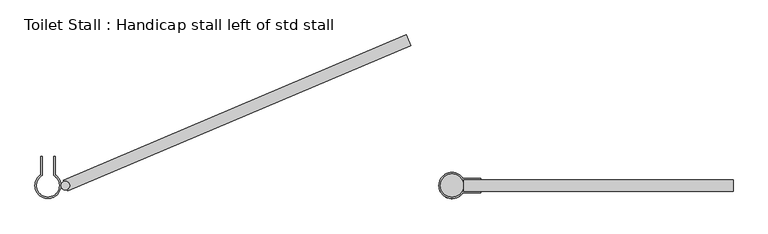
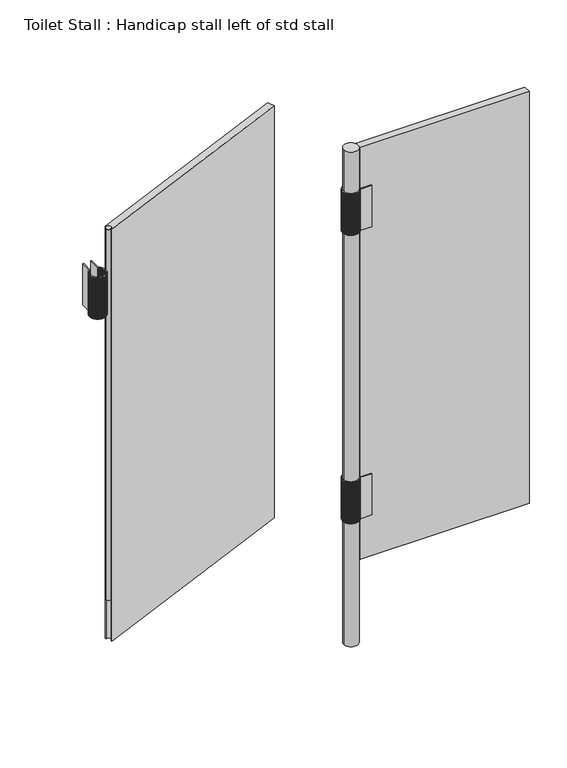
"""IFC4 building model written with IfcOpenShell, lengths in millimetres: proxy geometry, Toilet Stall : Handicap stall left of std stall."""

from ifc_helpers import new_model, si_unit, point, frame, frame_2d, origin, origin_with_axes, place, context, project, spatial, polyline, circle_curve, trimmed, segment, composite_curve, outline, extrude, faceted_brep, source, transform, mapped, element, save


def toilet_stall_handicap_stall_left_of_std_stall_83d1a77c(model_context):
    return source(origin(), model_context, "Body", "SolidModel", [
        faceted_brep([(492.7064458, -1262.0625, 1524.0), (492.7064458, -1262.0625, 1676.4), (492.7064458, -1265.2375, 1676.4), (492.7064458, -1265.2375, 1524.0), (451.2211098, -1265.2375, 1524.0), (450.151573, -1263.5236023, 1524.0), (448.8618083, -1261.8090926, 1524.0), (447.4320897, -1260.2094233, 1524.0), (445.8725976, -1258.7359848, 1524.0), (444.1944359, -1257.3992685, 1524.0), (442.409554, -1256.2087924, 1524.0), (440.5306609, -1255.1730331, 1524.0), (438.5711349, -1254.2993656, 1524.0), (436.5449287, -1253.5940107, 1524.0), (434.4664697, -1253.061991, 1524.0), (432.3505573, -1252.7070945, 1524.0), (430.2122576, -1252.5318482, 1524.0), (428.0281461, -1252.5375, 1524.0), (425.818874, -1252.7368503, 1524.0), (423.6353834, -1253.1279927, 1524.0), (421.4942919, -1253.7079504, 1524.0), (419.4118946, -1254.4723097, 1524.0), (417.4040397, -1255.4152532, 1524.0), (415.4860083, -1256.5296046, 1524.0), (413.6723977, -1257.806883, 1524.0), (411.9770106, -1259.2373676, 1524.0), (410.4127498, -1260.8101715, 1524.0), (408.9915205, -1262.5133246, 1524.0), (407.7241389, -1264.3338651, 1524.0), (406.6202507, -1266.2579375, 1524.0), (405.688257, -1268.2708983, 1524.0), (404.935251, -1270.3574279, 1524.0), (404.3669634, -1272.5016464, 1524.0), (403.9877193, -1274.687235, 1524.0), (403.8004049, -1276.89756, 1524.0), (403.8064458, -1279.1157997, 1524.0), (404.005796, -1281.3250718, 1524.0), (404.3969385, -1283.5085624, 1524.0), (404.9768962, -1285.6496539, 1524.0), (405.7412554, -1287.7320512, 1524.0), (406.684199, -1289.739906, 1524.0), (407.7985504, -1291.6579375, 1524.0), (409.0758288, -1293.4715481, 1524.0), (410.5063134, -1295.1669352, 1524.0), (412.0791172, -1296.7311959, 1524.0), (413.7822704, -1298.1524253, 1524.0), (415.6028109, -1299.4198069, 1524.0), (417.5268833, -1300.5236951, 1524.0), (419.5398441, -1301.4556888, 1524.0), (421.6263737, -1302.2086948, 1524.0), (423.7705921, -1302.7769824, 1524.0), (425.9561807, -1303.1562265, 1524.0), (428.1665058, -1303.3435409, 1524.0), (430.3460954, -1303.3375, 1524.0), (432.4834421, -1303.1509904, 1524.0), (434.5974554, -1302.7849509, 1524.0), (436.6730825, -1302.241988, 1524.0), (438.6955443, -1301.5259677, 1524.0), (440.6504401, -1300.6419884, 1524.0), (442.5238502, -1299.5963444, 1524.0), (444.3024352, -1298.396481, 1524.0), (445.973531, -1297.0509417, 1524.0), (447.5252386, -1295.5693074, 1524.0), (448.9465093, -1293.9621277, 1524.0), (450.2272231, -1292.2408465, 1524.0), (451.2211098, -1290.6375, 1524.0), (492.7064458, -1290.6375, 1524.0), (492.7064458, -1293.8125, 1524.0), (452.9822829, -1293.8125, 1524.0), (452.7740235, -1294.146229, 1524.0), (451.323605, -1296.0754404, 1524.0), (449.7157038, -1297.8755026, 1524.0), (447.9617687, -1299.5335986, 1524.0), (446.0742885, -1301.0379219, 1524.0), (444.0667028, -1302.3777614, 1524.0), (441.9533062, -1303.5435767, 1524.0), (439.749147, -1304.5270668, 1524.0), (437.4699198, -1305.3212289, 1524.0), (435.1318534, -1305.9204083, 1524.0), (432.7515958, -1306.3203386, 1524.0), (430.3460954, -1306.518172, 1524.0), (427.8892578, -1306.5125, 1524.0), (425.4037948, -1306.288963, 1524.0), (422.9472722, -1305.8496543, 1524.0), (420.5383857, -1305.1979172, 1524.0), (418.1954684, -1304.3387118, 1524.0), (415.9363513, -1303.2785773, 1524.0), (413.7782276, -1302.0255819, 1524.0), (411.7375219, -1300.5892617, 1524.0), (409.8297653, -1298.9805479, 1524.0), (408.069477, -1297.2116837, 1524.0), (406.4700537, -1295.2961314, 1524.0), (405.0436681, -1293.2484695, 1524.0), (403.8011759, -1291.0842818, 1524.0), (402.7520331, -1288.8200391, 1524.0), (401.9042243, -1286.4729738, 1524.0), (401.264202, -1284.0609484, 1524.0), (400.836837, -1281.6023198, 1524.0), (400.6253818, -1279.1157997, 1524.0), (400.6314458, -1276.620312, 1524.0), (400.8549828, -1274.134849, 1524.0), (401.2942915, -1271.6783264, 1524.0), (401.9460286, -1269.2694399, 1524.0), (402.805234, -1266.9265226, 1524.0), (403.8653685, -1264.6674055, 1524.0), (405.1183638, -1262.5092818, 1524.0), (406.5546841, -1260.4685761, 1524.0), (408.1633979, -1258.5608195, 1524.0), (409.932262, -1256.8005312, 1524.0), (411.8478143, -1255.2011079, 1524.0), (413.8954763, -1253.7747224, 1524.0), (416.059664, -1252.5322301, 1524.0), (418.3239067, -1251.4830873, 1524.0), (420.670972, -1250.6352785, 1524.0), (423.0829974, -1249.9952562, 1524.0), (425.541626, -1249.5678912, 1524.0), (428.0281461, -1249.356436, 1524.0), (430.4804113, -1249.3625, 1524.0), (432.8849554, -1249.5716371, 1524.0), (435.263307, -1249.98275, 1524.0), (437.5985315, -1250.5929117, 1524.0), (439.874001, -1251.3977773, 1524.0), (442.0735134, -1252.3916161, 1524.0), (444.1814073, -1253.5673515, 1524.0), (446.1826737, -1254.9166117, 1524.0), (448.0630628, -1256.4297896, 1524.0), (449.8091855, -1258.0961107, 1524.0), (451.4086086, -1259.9037101, 1524.0), (452.8499438, -1261.8397171, 1524.0), (452.9822829, -1262.0625, 1524.0), (451.2211098, -1265.2375, 1676.4), (452.9822829, -1262.0625, 1676.4), (452.8451319, -1261.84272, 1676.4), (451.404067, -1259.9071079, 1676.4), (449.8049465, -1258.0998793, 1676.4), (448.0591566, -1256.4339021, 1676.4), (446.1791281, -1254.9210389, 1676.4), (444.1782476, -1253.5720619, 1676.4), (442.0707621, -1252.3965761, 1676.4), (439.8716776, -1251.4029517, 1676.4), (437.5966526, -1250.5982634, 1676.4), (435.261886, -1249.9882412, 1676.4), (432.8840024, -1249.5772284, 1676.4), (430.4799332, -1249.3681518, 1676.4), (428.0281461, -1249.3625, 1676.4), (425.5421545, -1249.5739321, 1676.4), (423.0840504, -1250.0012281, 1676.4), (420.6725415, -1250.6411359, 1676.4), (418.3259807, -1251.4887856, 1676.4), (416.0622268, -1252.537726, 1676.4), (413.8985083, -1253.7799739, 1676.4), (411.8512925, -1255.2060753, 1676.4), (409.9361599, -1256.8051765, 1676.4), (408.1676858, -1258.5651074, 1676.4), (406.5593294, -1260.472474, 1676.4), (405.1233312, -1262.5127599, 1676.4), (403.87062, -1264.6704375, 1676.4), (402.8107298, -1266.9290854, 1676.4), (401.9517269, -1269.2715139, 1676.4), (401.3001489, -1271.6798959, 1676.4), (400.8609546, -1274.135902, 1676.4), (400.6374867, -1276.6208406, 1676.4), (400.6314458, -1279.1157997, 1676.4), (400.8428779, -1281.6017913, 1676.4), (401.2701738, -1284.0598954, 1676.4), (401.9100817, -1286.4714043, 1676.4), (402.7577314, -1288.8179651, 1676.4), (403.8066717, -1291.081719, 1676.4), (405.0489197, -1293.2454375, 1676.4), (406.4750211, -1295.2926533, 1676.4), (408.0741223, -1297.2077859, 1676.4), (409.8340532, -1298.97626, 1676.4), (411.7414198, -1300.5846164, 1676.4), (413.7817057, -1302.0206146, 1676.4), (415.9393833, -1303.2733258, 1676.4), (418.1980311, -1304.333216, 1676.4), (420.5404597, -1305.1922189, 1676.4), (422.9488417, -1305.8437969, 1676.4), (425.4048478, -1306.2829911, 1676.4), (427.8897863, -1306.5064591, 1676.4), (430.3460954, -1306.5125, 1676.4), (432.7511176, -1306.3146867, 1676.4), (435.1309004, -1305.9148169, 1676.4), (437.4684988, -1305.3157378, 1676.4), (439.7472682, -1304.521715, 1676.4), (441.9509828, -1303.5384024, 1676.4), (444.0639514, -1302.3728014, 1676.4), (446.0711288, -1301.0332115, 1676.4), (447.9582232, -1299.5291713, 1676.4), (449.7117976, -1297.8713901, 1676.4), (451.319366, -1296.0716718, 1676.4), (452.7694818, -1294.1428312, 1676.4), (452.9822829, -1293.8125, 1676.4), (492.7064458, -1293.8125, 1676.4), (492.7064458, -1290.6375, 1676.4), (451.2211098, -1290.6375, 1676.4), (450.2226815, -1292.2374487, 1676.4), (448.9422703, -1293.9583591, 1676.4), (447.5213324, -1295.5651948, 1676.4), (445.9699854, -1297.0465145, 1676.4), (444.2992755, -1298.3917706, 1676.4), (442.5210989, -1299.5913844, 1676.4), (440.6481167, -1300.6368141, 1676.4), (438.6936655, -1301.520616, 1676.4), (436.6716615, -1302.2364969, 1676.4), (434.5965024, -1302.7793595, 1676.4), (432.4829639, -1303.1453386, 1676.4), (430.3460954, -1303.331828, 1676.4), (428.1670343, -1303.3375, 1676.4), (425.9572337, -1303.1502547, 1676.4), (423.7721616, -1302.771125, 1676.4), (421.6284477, -1302.2029965, 1676.4), (419.5424069, -1301.4501929, 1676.4), (417.5299152, -1300.5184435, 1676.4), (415.6062891, -1299.4148395, 1676.4), (413.7861683, -1298.14778, 1676.4), (412.0834051, -1296.7269081, 1676.4), (410.5109587, -1295.1630374, 1676.4), (409.0807961, -1293.4680699, 1676.4), (407.8038019, -1291.6549055, 1676.4), (406.6896948, -1289.7373433, 1676.4), (405.7469537, -1287.7299772, 1676.4), (404.9827536, -1285.6480844, 1676.4), (404.4029103, -1283.5075094, 1676.4), (404.011837, -1281.3245433, 1676.4), (403.8125098, -1279.1157997, 1676.4), (403.8064458, -1276.8980886, 1676.4), (403.9936911, -1274.688288, 1676.4), (404.3728208, -1272.5032158, 1676.4), (404.9409493, -1270.3595019, 1676.4), (405.6937529, -1268.2734611, 1676.4), (406.6255022, -1266.2609695, 1676.4), (407.7291062, -1264.3373433, 1676.4), (408.9961658, -1262.5172225, 1676.4), (410.4170377, -1260.8144594, 1676.4), (411.9809084, -1259.2420129, 1676.4), (413.6758759, -1257.8118503, 1676.4), (415.4890403, -1256.5348562, 1676.4), (417.4066025, -1255.420749, 1676.4), (419.4139686, -1254.478008, 1676.4), (421.4958614, -1253.7138078, 1676.4), (423.6364364, -1253.1339645, 1676.4), (425.8194025, -1252.7428912, 1676.4), (428.0281461, -1252.543564, 1676.4), (430.2117794, -1252.5375, 1676.4), (432.3496044, -1252.7126858, 1676.4), (434.4650488, -1253.0674821, 1676.4), (436.5430499, -1253.5993625, 1676.4), (438.5688115, -1254.3045399, 1676.4), (440.5279095, -1255.1779931, 1676.4), (442.4063943, -1256.2135028, 1676.4), (444.1908904, -1257.4036958, 1676.4), (445.8686914, -1258.7400974, 1676.4), (447.4278507, -1260.2131919, 1676.4), (448.8572666, -1261.8124904, 1676.4), (450.1467611, -1263.5266052, 1676.4)], [[[0, 1, 2, 3]], [[3, 4, 5, 6, 7, 8, 9, 10, 11, 12, 13, 14, 15, 16, 17, 18, 19, 20, 21, 22, 23, 24, 25, 26, 27, 28, 29, 30, 31, 32, 33, 34, 35, 36, 37, 38, 39, 40, 41, 42, 43, 44, 45, 46, 47, 48, 49, 50, 51, 52, 53, 54, 55, 56, 57, 58, 59, 60, 61, 62, 63, 64, 65, 66, 67, 68, 69, 70, 71, 72, 73, 74, 75, 76, 77, 78, 79, 80, 81, 82, 83, 84, 85, 86, 87, 88, 89, 90, 91, 92, 93, 94, 95, 96, 97, 98, 99, 100, 101, 102, 103, 104, 105, 106, 107, 108, 109, 110, 111, 112, 113, 114, 115, 116, 117, 118, 119, 120, 121, 122, 123, 124, 125, 126, 127, 128, 129, 0]], [[2, 130, 4, 3]], [[1, 131, 132, 133, 134, 135, 136, 137, 138, 139, 140, 141, 142, 143, 144, 145, 146, 147, 148, 149, 150, 151, 152, 153, 154, 155, 156, 157, 158, 159, 160, 161, 162, 163, 164, 165, 166, 167, 168, 169, 170, 171, 172, 173, 174, 175, 176, 177, 178, 179, 180, 181, 182, 183, 184, 185, 186, 187, 188, 189, 190, 191, 192, 193, 194, 195, 196, 197, 198, 199, 200, 201, 202, 203, 204, 205, 206, 207, 208, 209, 210, 211, 212, 213, 214, 215, 216, 217, 218, 219, 220, 221, 222, 223, 224, 225, 226, 227, 228, 229, 230, 231, 232, 233, 234, 235, 236, 237, 238, 239, 240, 241, 242, 243, 244, 245, 246, 247, 248, 249, 250, 251, 252, 253, 254, 255, 130, 2]], [[0, 129, 131, 1]], [[130, 255, 5, 4]], [[129, 128, 132, 131]], [[255, 254, 6, 5]], [[128, 127, 133, 132]], [[254, 253, 7, 6]], [[127, 126, 134, 133]], [[253, 252, 8, 7]], [[126, 125, 135, 134]], [[252, 251, 9, 8]], [[125, 124, 136, 135]], [[251, 250, 10, 9]], [[124, 123, 137, 136]], [[250, 249, 11, 10]], [[123, 122, 138, 137]], [[249, 248, 12, 11]], [[122, 121, 139, 138]], [[248, 247, 13, 12]], [[121, 120, 140, 139]], [[247, 246, 14, 13]], [[120, 119, 141, 140]], [[246, 245, 15, 14]], [[119, 118, 142, 141]], [[245, 244, 16, 15]], [[118, 117, 143, 142]], [[243, 17, 16, 244]], [[116, 144, 143, 117]], [[243, 242, 18, 17]], [[116, 115, 145, 144]], [[242, 241, 19, 18]], [[115, 114, 146, 145]], [[241, 240, 20, 19]], [[114, 113, 147, 146]], [[240, 239, 21, 20]], [[113, 112, 148, 147]], [[239, 238, 22, 21]], [[112, 111, 149, 148]], [[238, 237, 23, 22]], [[111, 110, 150, 149]], [[237, 236, 24, 23]], [[110, 109, 151, 150]], [[236, 235, 25, 24]], [[109, 108, 152, 151]], [[235, 234, 26, 25]], [[108, 107, 153, 152]], [[234, 233, 27, 26]], [[107, 106, 154, 153]], [[233, 232, 28, 27]], [[106, 105, 155, 154]], [[232, 231, 29, 28]], [[105, 104, 156, 155]], [[231, 230, 30, 29]], [[104, 103, 157, 156]], [[230, 229, 31, 30]], [[103, 102, 158, 157]], [[229, 228, 32, 31]], [[102, 101, 159, 158]], [[228, 227, 33, 32]], [[101, 100, 160, 159]], [[227, 226, 34, 33]], [[100, 99, 161, 160]], [[226, 225, 35, 34]], [[99, 98, 162, 161]], [[225, 224, 36, 35]], [[98, 97, 163, 162]], [[224, 223, 37, 36]], [[97, 96, 164, 163]], [[223, 222, 38, 37]], [[96, 95, 165, 164]], [[222, 221, 39, 38]], [[95, 94, 166, 165]], [[221, 220, 40, 39]], [[94, 93, 167, 166]], [[220, 219, 41, 40]], [[93, 92, 168, 167]], [[219, 218, 42, 41]], [[92, 91, 169, 168]], [[218, 217, 43, 42]], [[91, 90, 170, 169]], [[217, 216, 44, 43]], [[90, 89, 171, 170]], [[216, 215, 45, 44]], [[89, 88, 172, 171]], [[215, 214, 46, 45]], [[88, 87, 173, 172]], [[214, 213, 47, 46]], [[87, 86, 174, 173]], [[213, 212, 48, 47]], [[86, 85, 175, 174]], [[212, 211, 49, 48]], [[85, 84, 176, 175]], [[211, 210, 50, 49]], [[84, 83, 177, 176]], [[210, 209, 51, 50]], [[83, 82, 178, 177]], [[209, 208, 52, 51]], [[82, 81, 179, 178]], [[207, 53, 52, 208]], [[80, 180, 179, 81]], [[207, 206, 54, 53]], [[80, 79, 181, 180]], [[206, 205, 55, 54]], [[79, 78, 182, 181]], [[205, 204, 56, 55]], [[78, 77, 183, 182]], [[204, 203, 57, 56]], [[77, 76, 184, 183]], [[203, 202, 58, 57]], [[76, 75, 185, 184]], [[202, 201, 59, 58]], [[75, 74, 186, 185]], [[201, 200, 60, 59]], [[74, 73, 187, 186]], [[200, 199, 61, 60]], [[73, 72, 188, 187]], [[199, 198, 62, 61]], [[72, 71, 189, 188]], [[198, 197, 63, 62]], [[71, 70, 190, 189]], [[197, 196, 64, 63]], [[70, 69, 191, 190]], [[196, 195, 65, 64]], [[69, 68, 192, 191]], [[67, 66, 194, 193]], [[195, 194, 66, 65]], [[68, 67, 193, 192]]]),
        faceted_brep([(492.7064458, -1262.0625, 457.2), (492.7064458, -1262.0625, 609.6), (492.7064458, -1265.2375, 609.6), (492.7064458, -1265.2375, 457.2), (451.2211098, -1265.2375, 457.2), (450.151573, -1263.5236023, 457.2), (448.8618083, -1261.8090926, 457.2), (447.4320897, -1260.2094233, 457.2), (445.8725976, -1258.7359848, 457.2), (444.1944359, -1257.3992685, 457.2), (442.409554, -1256.2087924, 457.2), (440.5306609, -1255.1730331, 457.2), (438.5711349, -1254.2993656, 457.2), (436.5449287, -1253.5940107, 457.2), (434.4664697, -1253.061991, 457.2), (432.3505573, -1252.7070945, 457.2), (430.2122576, -1252.5318482, 457.2), (428.0281461, -1252.5375, 457.2), (425.818874, -1252.7368503, 457.2), (423.6353834, -1253.1279927, 457.2), (421.4942919, -1253.7079504, 457.2), (419.4118946, -1254.4723097, 457.2), (417.4040397, -1255.4152532, 457.2), (415.4860083, -1256.5296046, 457.2), (413.6723977, -1257.806883, 457.2), (411.9770106, -1259.2373676, 457.2), (410.4127498, -1260.8101715, 457.2), (408.9915205, -1262.5133246, 457.2), (407.7241389, -1264.3338651, 457.2), (406.6202507, -1266.2579375, 457.2), (405.688257, -1268.2708983, 457.2), (404.935251, -1270.3574279, 457.2), (404.3669634, -1272.5016464, 457.2), (403.9877193, -1274.687235, 457.2), (403.8004049, -1276.89756, 457.2), (403.8064458, -1279.1157997, 457.2), (404.005796, -1281.3250718, 457.2), (404.3969385, -1283.5085624, 457.2), (404.9768962, -1285.6496539, 457.2), (405.7412554, -1287.7320512, 457.2), (406.684199, -1289.739906, 457.2), (407.7985504, -1291.6579375, 457.2), (409.0758288, -1293.4715481, 457.2), (410.5063134, -1295.1669352, 457.2), (412.0791172, -1296.7311959, 457.2), (413.7822704, -1298.1524253, 457.2), (415.6028109, -1299.4198069, 457.2), (417.5268833, -1300.5236951, 457.2), (419.5398441, -1301.4556888, 457.2), (421.6263737, -1302.2086948, 457.2), (423.7705921, -1302.7769824, 457.2), (425.9561807, -1303.1562265, 457.2), (428.1665058, -1303.3435409, 457.2), (430.3460954, -1303.3375, 457.2), (432.4834421, -1303.1509904, 457.2), (434.5974554, -1302.7849509, 457.2), (436.6730825, -1302.241988, 457.2), (438.6955443, -1301.5259677, 457.2), (440.6504401, -1300.6419884, 457.2), (442.5238502, -1299.5963444, 457.2), (444.3024352, -1298.396481, 457.2), (445.973531, -1297.0509417, 457.2), (447.5252386, -1295.5693074, 457.2), (448.9465093, -1293.9621277, 457.2), (450.2272231, -1292.2408465, 457.2), (451.2211098, -1290.6375, 457.2), (492.7064458, -1290.6375, 457.2), (492.7064458, -1293.8125, 457.2), (452.9822829, -1293.8125, 457.2), (452.7740235, -1294.146229, 457.2), (451.323605, -1296.0754404, 457.2), (449.7157038, -1297.8755026, 457.2), (447.9617687, -1299.5335986, 457.2), (446.0742885, -1301.0379219, 457.2), (444.0667028, -1302.3777614, 457.2), (441.9533062, -1303.5435767, 457.2), (439.749147, -1304.5270668, 457.2), (437.4699198, -1305.3212289, 457.2), (435.1318534, -1305.9204083, 457.2), (432.7515958, -1306.3203386, 457.2), (430.3460954, -1306.518172, 457.2), (427.8892578, -1306.5125, 457.2), (425.4037948, -1306.288963, 457.2), (422.9472722, -1305.8496543, 457.2), (420.5383857, -1305.1979172, 457.2), (418.1954684, -1304.3387118, 457.2), (415.9363513, -1303.2785773, 457.2), (413.7782276, -1302.0255819, 457.2), (411.7375219, -1300.5892617, 457.2), (409.8297653, -1298.9805479, 457.2), (408.069477, -1297.2116837, 457.2), (406.4700537, -1295.2961314, 457.2), (405.0436681, -1293.2484695, 457.2), (403.8011759, -1291.0842818, 457.2), (402.7520331, -1288.8200391, 457.2), (401.9042243, -1286.4729738, 457.2), (401.264202, -1284.0609484, 457.2), (400.836837, -1281.6023198, 457.2), (400.6253818, -1279.1157997, 457.2), (400.6314458, -1276.620312, 457.2), (400.8549828, -1274.134849, 457.2), (401.2942915, -1271.6783264, 457.2), (401.9460286, -1269.2694399, 457.2), (402.805234, -1266.9265226, 457.2), (403.8653685, -1264.6674055, 457.2), (405.1183638, -1262.5092818, 457.2), (406.5546841, -1260.4685761, 457.2), (408.1633979, -1258.5608195, 457.2), (409.932262, -1256.8005312, 457.2), (411.8478143, -1255.2011079, 457.2), (413.8954763, -1253.7747224, 457.2), (416.059664, -1252.5322301, 457.2), (418.3239067, -1251.4830873, 457.2), (420.670972, -1250.6352785, 457.2), (423.0829974, -1249.9952562, 457.2), (425.541626, -1249.5678912, 457.2), (428.0281461, -1249.356436, 457.2), (430.4804113, -1249.3625, 457.2), (432.8849554, -1249.5716371, 457.2), (435.263307, -1249.98275, 457.2), (437.5985315, -1250.5929117, 457.2), (439.874001, -1251.3977773, 457.2), (442.0735134, -1252.3916161, 457.2), (444.1814073, -1253.5673515, 457.2), (446.1826737, -1254.9166117, 457.2), (448.0630628, -1256.4297896, 457.2), (449.8091855, -1258.0961107, 457.2), (451.4086086, -1259.9037101, 457.2), (452.8499438, -1261.8397171, 457.2), (452.9822829, -1262.0625, 457.2), (451.2211098, -1265.2375, 609.6), (452.9822829, -1262.0625, 609.6), (452.8451319, -1261.84272, 609.6), (451.404067, -1259.9071079, 609.6), (449.8049465, -1258.0998793, 609.6), (448.0591566, -1256.4339021, 609.6), (446.1791281, -1254.9210389, 609.6), (444.1782476, -1253.5720619, 609.6), (442.0707621, -1252.3965761, 609.6), (439.8716776, -1251.4029517, 609.6), (437.5966526, -1250.5982634, 609.6), (435.261886, -1249.9882412, 609.6), (432.8840024, -1249.5772284, 609.6), (430.4799332, -1249.3681518, 609.6), (428.0281461, -1249.3625, 609.6), (425.5421545, -1249.5739321, 609.6), (423.0840504, -1250.0012281, 609.6), (420.6725415, -1250.6411359, 609.6), (418.3259807, -1251.4887856, 609.6), (416.0622268, -1252.537726, 609.6), (413.8985083, -1253.7799739, 609.6), (411.8512925, -1255.2060753, 609.6), (409.9361599, -1256.8051765, 609.6), (408.1676858, -1258.5651074, 609.6), (406.5593294, -1260.472474, 609.6), (405.1233312, -1262.5127599, 609.6), (403.87062, -1264.6704375, 609.6), (402.8107298, -1266.9290854, 609.6), (401.9517269, -1269.2715139, 609.6), (401.3001489, -1271.6798959, 609.6), (400.8609546, -1274.135902, 609.6), (400.6374867, -1276.6208406, 609.6), (400.6314458, -1279.1157997, 609.6), (400.8428779, -1281.6017913, 609.6), (401.2701738, -1284.0598954, 609.6), (401.9100817, -1286.4714043, 609.6), (402.7577314, -1288.8179651, 609.6), (403.8066717, -1291.081719, 609.6), (405.0489197, -1293.2454375, 609.6), (406.4750211, -1295.2926533, 609.6), (408.0741223, -1297.2077859, 609.6), (409.8340532, -1298.97626, 609.6), (411.7414198, -1300.5846164, 609.6), (413.7817057, -1302.0206146, 609.6), (415.9393833, -1303.2733258, 609.6), (418.1980311, -1304.333216, 609.6), (420.5404597, -1305.1922189, 609.6), (422.9488417, -1305.8437969, 609.6), (425.4048478, -1306.2829911, 609.6), (427.8897863, -1306.5064591, 609.6), (430.3460954, -1306.5125, 609.6), (432.7511176, -1306.3146867, 609.6), (435.1309004, -1305.9148169, 609.6), (437.4684988, -1305.3157378, 609.6), (439.7472682, -1304.521715, 609.6), (441.9509828, -1303.5384024, 609.6), (444.0639514, -1302.3728014, 609.6), (446.0711288, -1301.0332115, 609.6), (447.9582232, -1299.5291713, 609.6), (449.7117976, -1297.8713901, 609.6), (451.319366, -1296.0716718, 609.6), (452.7694818, -1294.1428312, 609.6), (452.9822829, -1293.8125, 609.6), (492.7064458, -1293.8125, 609.6), (492.7064458, -1290.6375, 609.6), (451.2211098, -1290.6375, 609.6), (450.2226815, -1292.2374487, 609.6), (448.9422703, -1293.9583591, 609.6), (447.5213324, -1295.5651948, 609.6), (445.9699854, -1297.0465145, 609.6), (444.2992755, -1298.3917706, 609.6), (442.5210989, -1299.5913844, 609.6), (440.6481167, -1300.6368141, 609.6), (438.6936655, -1301.520616, 609.6), (436.6716615, -1302.2364969, 609.6), (434.5965024, -1302.7793595, 609.6), (432.4829639, -1303.1453386, 609.6), (430.3460954, -1303.331828, 609.6), (428.1670343, -1303.3375, 609.6), (425.9572337, -1303.1502547, 609.6), (423.7721616, -1302.771125, 609.6), (421.6284477, -1302.2029965, 609.6), (419.5424069, -1301.4501929, 609.6), (417.5299152, -1300.5184435, 609.6), (415.6062891, -1299.4148395, 609.6), (413.7861683, -1298.14778, 609.6), (412.0834051, -1296.7269081, 609.6), (410.5109587, -1295.1630374, 609.6), (409.0807961, -1293.4680699, 609.6), (407.8038019, -1291.6549055, 609.6), (406.6896948, -1289.7373433, 609.6), (405.7469537, -1287.7299772, 609.6), (404.9827536, -1285.6480844, 609.6), (404.4029103, -1283.5075094, 609.6), (404.011837, -1281.3245433, 609.6), (403.8125098, -1279.1157997, 609.6), (403.8064458, -1276.8980886, 609.6), (403.9936911, -1274.688288, 609.6), (404.3728208, -1272.5032158, 609.6), (404.9409493, -1270.3595019, 609.6), (405.6937529, -1268.2734611, 609.6), (406.6255022, -1266.2609695, 609.6), (407.7291062, -1264.3373433, 609.6), (408.9961658, -1262.5172225, 609.6), (410.4170377, -1260.8144594, 609.6), (411.9809084, -1259.2420129, 609.6), (413.6758759, -1257.8118503, 609.6), (415.4890403, -1256.5348562, 609.6), (417.4066025, -1255.420749, 609.6), (419.4139686, -1254.478008, 609.6), (421.4958614, -1253.7138078, 609.6), (423.6364364, -1253.1339645, 609.6), (425.8194025, -1252.7428912, 609.6), (428.0281461, -1252.543564, 609.6), (430.2117794, -1252.5375, 609.6), (432.3496044, -1252.7126858, 609.6), (434.4650488, -1253.0674821, 609.6), (436.5430499, -1253.5993625, 609.6), (438.5688115, -1254.3045399, 609.6), (440.5279095, -1255.1779931, 609.6), (442.4063943, -1256.2135028, 609.6), (444.1908904, -1257.4036958, 609.6), (445.8686914, -1258.7400974, 609.6), (447.4278507, -1260.2131919, 609.6), (448.8572666, -1261.8124904, 609.6), (450.1467611, -1263.5266052, 609.6)], [[[0, 1, 2, 3]], [[3, 4, 5, 6, 7, 8, 9, 10, 11, 12, 13, 14, 15, 16, 17, 18, 19, 20, 21, 22, 23, 24, 25, 26, 27, 28, 29, 30, 31, 32, 33, 34, 35, 36, 37, 38, 39, 40, 41, 42, 43, 44, 45, 46, 47, 48, 49, 50, 51, 52, 53, 54, 55, 56, 57, 58, 59, 60, 61, 62, 63, 64, 65, 66, 67, 68, 69, 70, 71, 72, 73, 74, 75, 76, 77, 78, 79, 80, 81, 82, 83, 84, 85, 86, 87, 88, 89, 90, 91, 92, 93, 94, 95, 96, 97, 98, 99, 100, 101, 102, 103, 104, 105, 106, 107, 108, 109, 110, 111, 112, 113, 114, 115, 116, 117, 118, 119, 120, 121, 122, 123, 124, 125, 126, 127, 128, 129, 0]], [[2, 130, 4, 3]], [[1, 131, 132, 133, 134, 135, 136, 137, 138, 139, 140, 141, 142, 143, 144, 145, 146, 147, 148, 149, 150, 151, 152, 153, 154, 155, 156, 157, 158, 159, 160, 161, 162, 163, 164, 165, 166, 167, 168, 169, 170, 171, 172, 173, 174, 175, 176, 177, 178, 179, 180, 181, 182, 183, 184, 185, 186, 187, 188, 189, 190, 191, 192, 193, 194, 195, 196, 197, 198, 199, 200, 201, 202, 203, 204, 205, 206, 207, 208, 209, 210, 211, 212, 213, 214, 215, 216, 217, 218, 219, 220, 221, 222, 223, 224, 225, 226, 227, 228, 229, 230, 231, 232, 233, 234, 235, 236, 237, 238, 239, 240, 241, 242, 243, 244, 245, 246, 247, 248, 249, 250, 251, 252, 253, 254, 255, 130, 2]], [[0, 129, 131, 1]], [[130, 255, 5, 4]], [[129, 128, 132, 131]], [[255, 254, 6, 5]], [[128, 127, 133, 132]], [[254, 253, 7, 6]], [[127, 126, 134, 133]], [[253, 252, 8, 7]], [[126, 125, 135, 134]], [[252, 251, 9, 8]], [[125, 124, 136, 135]], [[251, 250, 10, 9]], [[124, 123, 137, 136]], [[250, 249, 11, 10]], [[123, 122, 138, 137]], [[249, 248, 12, 11]], [[122, 121, 139, 138]], [[248, 247, 13, 12]], [[121, 120, 140, 139]], [[247, 246, 14, 13]], [[120, 119, 141, 140]], [[246, 245, 15, 14]], [[119, 118, 142, 141]], [[245, 244, 16, 15]], [[118, 117, 143, 142]], [[243, 17, 16, 244]], [[116, 144, 143, 117]], [[243, 242, 18, 17]], [[116, 115, 145, 144]], [[242, 241, 19, 18]], [[115, 114, 146, 145]], [[241, 240, 20, 19]], [[114, 113, 147, 146]], [[240, 239, 21, 20]], [[113, 112, 148, 147]], [[239, 238, 22, 21]], [[112, 111, 149, 148]], [[238, 237, 23, 22]], [[111, 110, 150, 149]], [[237, 236, 24, 23]], [[110, 109, 151, 150]], [[236, 235, 25, 24]], [[109, 108, 152, 151]], [[235, 234, 26, 25]], [[108, 107, 153, 152]], [[234, 233, 27, 26]], [[107, 106, 154, 153]], [[233, 232, 28, 27]], [[106, 105, 155, 154]], [[232, 231, 29, 28]], [[105, 104, 156, 155]], [[231, 230, 30, 29]], [[104, 103, 157, 156]], [[230, 229, 31, 30]], [[103, 102, 158, 157]], [[229, 228, 32, 31]], [[102, 101, 159, 158]], [[228, 227, 33, 32]], [[101, 100, 160, 159]], [[227, 226, 34, 33]], [[100, 99, 161, 160]], [[226, 225, 35, 34]], [[99, 98, 162, 161]], [[225, 224, 36, 35]], [[98, 97, 163, 162]], [[224, 223, 37, 36]], [[97, 96, 164, 163]], [[223, 222, 38, 37]], [[96, 95, 165, 164]], [[222, 221, 39, 38]], [[95, 94, 166, 165]], [[221, 220, 40, 39]], [[94, 93, 167, 166]], [[220, 219, 41, 40]], [[93, 92, 168, 167]], [[219, 218, 42, 41]], [[92, 91, 169, 168]], [[218, 217, 43, 42]], [[91, 90, 170, 169]], [[217, 216, 44, 43]], [[90, 89, 171, 170]], [[216, 215, 45, 44]], [[89, 88, 172, 171]], [[215, 214, 46, 45]], [[88, 87, 173, 172]], [[214, 213, 47, 46]], [[87, 86, 174, 173]], [[213, 212, 48, 47]], [[86, 85, 175, 174]], [[212, 211, 49, 48]], [[85, 84, 176, 175]], [[211, 210, 50, 49]], [[84, 83, 177, 176]], [[210, 209, 51, 50]], [[83, 82, 178, 177]], [[209, 208, 52, 51]], [[82, 81, 179, 178]], [[207, 53, 52, 208]], [[80, 180, 179, 81]], [[207, 206, 54, 53]], [[80, 79, 181, 180]], [[206, 205, 55, 54]], [[79, 78, 182, 181]], [[205, 204, 56, 55]], [[78, 77, 183, 182]], [[204, 203, 57, 56]], [[77, 76, 184, 183]], [[203, 202, 58, 57]], [[76, 75, 185, 184]], [[202, 201, 59, 58]], [[75, 74, 186, 185]], [[201, 200, 60, 59]], [[74, 73, 187, 186]], [[200, 199, 61, 60]], [[73, 72, 188, 187]], [[199, 198, 62, 61]], [[72, 71, 189, 188]], [[198, 197, 63, 62]], [[71, 70, 190, 189]], [[197, 196, 64, 63]], [[70, 69, 191, 190]], [[196, 195, 65, 64]], [[69, 68, 192, 191]], [[67, 66, 194, 193]], [[195, 194, 66, 65]], [[68, 67, 193, 192]]]),
        extrude(outline(polyline([(1045.6468708, -1290.6375), (454.6064458, -1290.6375), (454.6064458, -1265.2375), (1045.6468708, -1265.2375), (1045.6468708, -1290.6375)])), frame((0.0, 0.0, 304.8), z_axis=(0.0, 0.0, 1.0), x_axis=(1.0, 0.0, 0.0)), (0.0, 0.0, 1.0), 1524.0),
        extrude(outline(composite_curve([segment(trimmed(circle_curve(frame_2d((429.2064458, -1277.9375)), 25.4), [point((403.8064458, -1277.9375))], [point((454.6064458, -1277.9375))], False, "CARTESIAN"), True, "CONTINUOUS"), segment(trimmed(circle_curve(frame_2d((429.2064458, -1277.9375)), 25.4), [point((454.6064458, -1277.9375))], [point((403.8064458, -1277.9375))], False, "CARTESIAN"), True, "CONTINUOUS")], self_intersect=False)), origin_with_axes(), (0.0, 0.0, 1.0), 1828.8),
        extrude(outline(composite_curve([segment(trimmed(circle_curve(frame_2d((-418.5185542, -1277.9375)), 9.525), [point((-428.0435542, -1277.9375))], [point((-408.9935542, -1277.9375))], False, "CARTESIAN"), True, "CONTINUOUS"), segment(trimmed(circle_curve(frame_2d((-418.5185542, -1277.9375)), 9.525), [point((-408.9935542, -1277.9375))], [point((-428.0435542, -1277.9375))], False, "CARTESIAN"), True, "CONTINUOUS")], self_intersect=False)), frame((0.0, 0.0, 457.2), z_axis=(0.0, 0.0, 1.0), x_axis=(1.0, 0.0, 0.0)), (0.0, 0.0, 1.0), 1371.6),
        extrude(outline(composite_curve([segment(polyline([(338.9244022, -970.2188171), (-413.5562689, -1289.6279116), (-414.7968402, -1286.7053087)]), True, "CONTINUOUS"), segment(trimmed(circle_curve(frame_2d((-418.5185542, -1277.9375)), 9.525), [point((-414.7968402, -1286.7053087))], [point((-409.687128, -1281.5056278))], True, "CARTESIAN"), True, "CONTINUOUS"), segment(trimmed(circle_curve(frame_2d((-418.5185542, -1277.9375)), 9.525), [point((-409.687128, -1281.5056278))], [point((-422.2402682, -1269.1696913))], True, "CARTESIAN"), True, "CONTINUOUS"), segment(polyline([(-422.2402682, -1269.1696913), (-423.4808395, -1266.2470884), (328.9998315, -946.8379938), (338.9244022, -970.2188171)]), True, "CONTINUOUS")], self_intersect=False)), frame((0.0, 0.0, 304.8), z_axis=(0.0, 0.0, 1.0), x_axis=(1.0, 0.0, 0.0)), (0.0, 0.0, 1.0), 1524.0),
        faceted_brep([(-472.4935542, -1214.4375, 1524.0), (-472.4935542, -1214.4375, 1676.4), (-469.3185542, -1214.4375, 1676.4), (-469.3185542, -1214.4375, 1524.0), (-469.3185542, -1255.922836, 1524.0), (-471.0324519, -1256.9923728, 1524.0), (-472.7469617, -1258.2821375, 1524.0), (-474.3466309, -1259.711856, 1524.0), (-475.8200694, -1261.2713482, 1524.0), (-477.1567857, -1262.9495098, 1524.0), (-478.3472618, -1264.7343918, 1524.0), (-479.3830211, -1266.6132849, 1524.0), (-480.2566886, -1268.5728109, 1524.0), (-480.9620435, -1270.599017, 1524.0), (-481.4940632, -1272.677476, 1524.0), (-481.8489598, -1274.7933884, 1524.0), (-482.024206, -1276.9316881, 1524.0), (-482.0185542, -1279.1157997, 1524.0), (-481.819204, -1281.3250718, 1524.0), (-481.4280615, -1283.5085624, 1524.0), (-480.8481038, -1285.6496539, 1524.0), (-480.0837446, -1287.7320512, 1524.0), (-479.140801, -1289.739906, 1524.0), (-478.0264496, -1291.6579375, 1524.0), (-476.7491712, -1293.4715481, 1524.0), (-475.3186866, -1295.1669352, 1524.0), (-473.7458828, -1296.7311959, 1524.0), (-472.0427296, -1298.1524253, 1524.0), (-470.2221891, -1299.4198069, 1524.0), (-468.2981167, -1300.5236951, 1524.0), (-466.2851559, -1301.4556888, 1524.0), (-464.1986263, -1302.2086948, 1524.0), (-462.0544079, -1302.7769824, 1524.0), (-459.8688193, -1303.1562265, 1524.0), (-457.6584942, -1303.3435409, 1524.0), (-455.4402545, -1303.3375, 1524.0), (-453.2309824, -1303.1381497, 1524.0), (-451.0474918, -1302.7470073, 1524.0), (-448.9064004, -1302.1670496, 1524.0), (-446.824003, -1301.4026903, 1524.0), (-444.8161482, -1300.4597468, 1524.0), (-442.8981167, -1299.3453954, 1524.0), (-441.0845061, -1298.068117, 1524.0), (-439.389119, -1296.6376324, 1524.0), (-437.8248583, -1295.0648285, 1524.0), (-436.4036289, -1293.3616754, 1524.0), (-435.1362474, -1291.5411349, 1524.0), (-434.0323591, -1289.6170625, 1524.0), (-433.1003655, -1287.6041017, 1524.0), (-432.3473594, -1285.5175721, 1524.0), (-431.7790718, -1283.3733536, 1524.0), (-431.3998277, -1281.187765, 1524.0), (-431.2125133, -1278.97744, 1524.0), (-431.2185542, -1276.7978504, 1524.0), (-431.4050639, -1274.6605037, 1524.0), (-431.7711033, -1272.5464904, 1524.0), (-432.3140662, -1270.4708633, 1524.0), (-433.0300865, -1268.4484014, 1524.0), (-433.9140658, -1266.4935057, 1524.0), (-434.9597098, -1264.6200956, 1524.0), (-436.1595732, -1262.8415105, 1524.0), (-437.5051125, -1261.1704148, 1524.0), (-438.9867468, -1259.6187072, 1524.0), (-440.5939265, -1258.1974365, 1524.0), (-442.3152077, -1256.9167227, 1524.0), (-443.9185542, -1255.922836, 1524.0), (-443.9185542, -1214.4375, 1524.0), (-440.7435542, -1214.4375, 1524.0), (-440.7435542, -1254.1616628, 1524.0), (-440.4098252, -1254.3699223, 1524.0), (-438.4806138, -1255.8203408, 1524.0), (-436.6805516, -1257.428242, 1524.0), (-435.0224556, -1259.182177, 1524.0), (-433.5181323, -1261.0696572, 1524.0), (-432.1782928, -1263.077243, 1524.0), (-431.0124775, -1265.1906396, 1524.0), (-430.0289874, -1267.3947987, 1524.0), (-429.2348253, -1269.674026, 1524.0), (-428.6356459, -1272.0120924, 1524.0), (-428.2357157, -1274.39235, 1524.0), (-428.0378822, -1276.7978504, 1524.0), (-428.0435542, -1279.254688, 1524.0), (-428.2670912, -1281.740151, 1524.0), (-428.7064, -1284.1966736, 1524.0), (-429.3581371, -1286.6055601, 1524.0), (-430.2173424, -1288.9484774, 1524.0), (-431.2774769, -1291.2075945, 1524.0), (-432.5304723, -1293.3657182, 1524.0), (-433.9667925, -1295.4064239, 1524.0), (-435.5755063, -1297.3141805, 1524.0), (-437.3443705, -1299.0744688, 1524.0), (-439.2599228, -1300.6738921, 1524.0), (-441.3075848, -1302.1002776, 1524.0), (-443.4717724, -1303.3427699, 1524.0), (-445.7360151, -1304.3919127, 1524.0), (-448.0830804, -1305.2397215, 1524.0), (-450.4951059, -1305.8797438, 1524.0), (-452.9537344, -1306.3071088, 1524.0), (-455.4402545, -1306.518564, 1524.0), (-457.9357422, -1306.5125, 1524.0), (-460.4212052, -1306.288963, 1524.0), (-462.8777278, -1305.8496543, 1524.0), (-465.2866143, -1305.1979172, 1524.0), (-467.6295316, -1304.3387118, 1524.0), (-469.8886487, -1303.2785773, 1524.0), (-472.0467724, -1302.0255819, 1524.0), (-474.0874781, -1300.5892617, 1524.0), (-475.9952347, -1298.9805479, 1524.0), (-477.755523, -1297.2116837, 1524.0), (-479.3549463, -1295.2961314, 1524.0), (-480.7813319, -1293.2484695, 1524.0), (-482.0238241, -1291.0842818, 1524.0), (-483.0729669, -1288.8200391, 1524.0), (-483.9207757, -1286.4729738, 1524.0), (-484.560798, -1284.0609484, 1524.0), (-484.988163, -1281.6023198, 1524.0), (-485.1996182, -1279.1157997, 1524.0), (-485.1935542, -1276.6635344, 1524.0), (-484.9844172, -1274.2589904, 1524.0), (-484.5733042, -1271.8806388, 1524.0), (-483.9631426, -1269.5454143, 1524.0), (-483.1582769, -1267.2699448, 1524.0), (-482.1644381, -1265.0704324, 1524.0), (-480.9887028, -1262.9625385, 1524.0), (-479.6394425, -1260.9612721, 1524.0), (-478.1262647, -1259.080883, 1524.0), (-476.4599436, -1257.3347603, 1524.0), (-474.6523441, -1255.7353371, 1524.0), (-472.7163371, -1254.2940019, 1524.0), (-472.4935542, -1254.1616628, 1524.0), (-469.3185542, -1255.922836, 1676.4), (-472.4935542, -1254.1616628, 1676.4), (-472.7133342, -1254.2988139, 1676.4), (-474.6489463, -1255.7398788, 1676.4), (-476.456175, -1257.3389993, 1676.4), (-478.1221521, -1259.0847892, 1676.4), (-479.6350153, -1260.9648176, 1676.4), (-480.9839924, -1262.9656982, 1676.4), (-482.1594781, -1265.0731837, 1676.4), (-483.1531026, -1267.2722682, 1676.4), (-483.9577908, -1269.5472932, 1676.4), (-484.5678131, -1271.8820597, 1676.4), (-484.9788258, -1274.2599434, 1676.4), (-485.1879024, -1276.6640126, 1676.4), (-485.1935542, -1279.1157997, 1676.4), (-484.9821221, -1281.6017913, 1676.4), (-484.5548262, -1284.0598954, 1676.4), (-483.9149183, -1286.4714043, 1676.4), (-483.0672686, -1288.8179651, 1676.4), (-482.0183283, -1291.081719, 1676.4), (-480.7760803, -1293.2454375, 1676.4), (-479.3499789, -1295.2926533, 1676.4), (-477.7508777, -1297.2077859, 1676.4), (-475.9909468, -1298.97626, 1676.4), (-474.0835802, -1300.5846164, 1676.4), (-472.0432943, -1302.0206146, 1676.4), (-469.8856167, -1303.2733258, 1676.4), (-467.6269689, -1304.333216, 1676.4), (-465.2845403, -1305.1922189, 1676.4), (-462.8761583, -1305.8437969, 1676.4), (-460.4201522, -1306.2829911, 1676.4), (-457.9352137, -1306.5064591, 1676.4), (-455.4402545, -1306.5125, 1676.4), (-452.954263, -1306.3010679, 1676.4), (-450.4961589, -1305.8737719, 1676.4), (-448.0846499, -1305.2338641, 1676.4), (-445.7380891, -1304.3862144, 1676.4), (-443.4743352, -1303.337274, 1676.4), (-441.3106167, -1302.0950261, 1676.4), (-439.2634009, -1300.6689247, 1676.4), (-437.3482683, -1299.0698235, 1676.4), (-435.5797942, -1297.3098926, 1676.4), (-433.9714378, -1295.402526, 1676.4), (-432.5354396, -1293.3622401, 1676.4), (-431.2827285, -1291.2045625, 1676.4), (-430.2228382, -1288.9459146, 1676.4), (-429.3638353, -1286.6034861, 1676.4), (-428.7122573, -1284.1951041, 1676.4), (-428.2730631, -1281.739098, 1676.4), (-428.0495951, -1279.2541594, 1676.4), (-428.0435542, -1276.7978504, 1676.4), (-428.2413675, -1274.3928282, 1676.4), (-428.6412373, -1272.0130454, 1676.4), (-429.2403164, -1269.675447, 1676.4), (-430.0343392, -1267.3966776, 1676.4), (-431.0176519, -1265.192963, 1676.4), (-432.1832529, -1263.0799944, 1676.4), (-433.5228427, -1261.0728169, 1676.4), (-435.0268829, -1259.1857226, 1676.4), (-436.6846642, -1257.4321482, 1676.4), (-438.4843824, -1255.8245798, 1676.4), (-440.4132231, -1254.3744639, 1676.4), (-440.7435542, -1254.1616628, 1676.4), (-440.7435542, -1214.4375, 1676.4), (-443.9185542, -1214.4375, 1676.4), (-443.9185542, -1255.922836, 1676.4), (-442.3186055, -1256.9212643, 1676.4), (-440.5976951, -1258.2016755, 1676.4), (-438.9908594, -1259.6226134, 1676.4), (-437.5095397, -1261.1739604, 1676.4), (-436.1642836, -1262.8446702, 1676.4), (-434.9646698, -1264.6228469, 1676.4), (-433.9192401, -1266.495829, 1676.4), (-433.0354383, -1268.4502803, 1676.4), (-432.3195573, -1270.4722842, 1676.4), (-431.7766947, -1272.5474434, 1676.4), (-431.4107157, -1274.6609819, 1676.4), (-431.2242262, -1276.7978504, 1676.4), (-431.2185542, -1278.9769114, 1676.4), (-431.4057996, -1281.186712, 1676.4), (-431.7849292, -1283.3717842, 1676.4), (-432.3530577, -1285.5154981, 1676.4), (-433.1058613, -1287.6015389, 1676.4), (-434.0376107, -1289.6140305, 1676.4), (-435.1412147, -1291.5376567, 1676.4), (-436.4082742, -1293.3577775, 1676.4), (-437.8291462, -1295.0605406, 1676.4), (-439.3930169, -1296.6329871, 1676.4), (-441.0879843, -1298.0631497, 1676.4), (-442.9011487, -1299.3401438, 1676.4), (-444.8187109, -1300.454251, 1676.4), (-446.8260771, -1301.396992, 1676.4), (-448.9079698, -1302.1611922, 1676.4), (-451.0485448, -1302.7410355, 1676.4), (-453.231511, -1303.1321088, 1676.4), (-455.4402545, -1303.331436, 1676.4), (-457.6579657, -1303.3375, 1676.4), (-459.8677663, -1303.1502547, 1676.4), (-462.0528384, -1302.771125, 1676.4), (-464.1965523, -1302.2029965, 1676.4), (-466.2825931, -1301.4501929, 1676.4), (-468.2950848, -1300.5184435, 1676.4), (-470.2187109, -1299.4148395, 1676.4), (-472.0388317, -1298.14778, 1676.4), (-473.7415949, -1296.7269081, 1676.4), (-475.3140413, -1295.1630374, 1676.4), (-476.7442039, -1293.4680699, 1676.4), (-478.0211981, -1291.6549055, 1676.4), (-479.1353052, -1289.7373433, 1676.4), (-480.0780463, -1287.7299772, 1676.4), (-480.8422464, -1285.6480844, 1676.4), (-481.4220897, -1283.5075094, 1676.4), (-481.813163, -1281.3245433, 1676.4), (-482.0124902, -1279.1157997, 1676.4), (-482.0185542, -1276.9321663, 1676.4), (-481.8433684, -1274.7943414, 1676.4), (-481.4885721, -1272.678897, 1676.4), (-480.9566917, -1270.6008959, 1676.4), (-480.2515143, -1268.5751342, 1676.4), (-479.3780611, -1266.6160362, 1676.4), (-478.3425514, -1264.7375515, 1676.4), (-477.1523585, -1262.9530554, 1676.4), (-475.8159569, -1261.2752544, 1676.4), (-474.3428623, -1259.7160951, 1676.4), (-472.7435638, -1258.2866791, 1676.4), (-471.0294491, -1256.9971847, 1676.4)], [[[0, 1, 2, 3]], [[3, 4, 5, 6, 7, 8, 9, 10, 11, 12, 13, 14, 15, 16, 17, 18, 19, 20, 21, 22, 23, 24, 25, 26, 27, 28, 29, 30, 31, 32, 33, 34, 35, 36, 37, 38, 39, 40, 41, 42, 43, 44, 45, 46, 47, 48, 49, 50, 51, 52, 53, 54, 55, 56, 57, 58, 59, 60, 61, 62, 63, 64, 65, 66, 67, 68, 69, 70, 71, 72, 73, 74, 75, 76, 77, 78, 79, 80, 81, 82, 83, 84, 85, 86, 87, 88, 89, 90, 91, 92, 93, 94, 95, 96, 97, 98, 99, 100, 101, 102, 103, 104, 105, 106, 107, 108, 109, 110, 111, 112, 113, 114, 115, 116, 117, 118, 119, 120, 121, 122, 123, 124, 125, 126, 127, 128, 129, 0]], [[2, 130, 4, 3]], [[1, 131, 132, 133, 134, 135, 136, 137, 138, 139, 140, 141, 142, 143, 144, 145, 146, 147, 148, 149, 150, 151, 152, 153, 154, 155, 156, 157, 158, 159, 160, 161, 162, 163, 164, 165, 166, 167, 168, 169, 170, 171, 172, 173, 174, 175, 176, 177, 178, 179, 180, 181, 182, 183, 184, 185, 186, 187, 188, 189, 190, 191, 192, 193, 194, 195, 196, 197, 198, 199, 200, 201, 202, 203, 204, 205, 206, 207, 208, 209, 210, 211, 212, 213, 214, 215, 216, 217, 218, 219, 220, 221, 222, 223, 224, 225, 226, 227, 228, 229, 230, 231, 232, 233, 234, 235, 236, 237, 238, 239, 240, 241, 242, 243, 244, 245, 246, 247, 248, 249, 250, 251, 252, 253, 254, 255, 130, 2]], [[0, 129, 131, 1]], [[130, 255, 5, 4]], [[129, 128, 132, 131]], [[255, 254, 6, 5]], [[128, 127, 133, 132]], [[254, 253, 7, 6]], [[127, 126, 134, 133]], [[253, 252, 8, 7]], [[126, 125, 135, 134]], [[252, 251, 9, 8]], [[125, 124, 136, 135]], [[251, 250, 10, 9]], [[124, 123, 137, 136]], [[250, 249, 11, 10]], [[123, 122, 138, 137]], [[249, 248, 12, 11]], [[122, 121, 139, 138]], [[248, 247, 13, 12]], [[121, 120, 140, 139]], [[247, 246, 14, 13]], [[120, 119, 141, 140]], [[246, 245, 15, 14]], [[119, 118, 142, 141]], [[245, 244, 16, 15]], [[118, 117, 143, 142]], [[243, 17, 16, 244]], [[116, 144, 143, 117]], [[243, 242, 18, 17]], [[116, 115, 145, 144]], [[242, 241, 19, 18]], [[115, 114, 146, 145]], [[241, 240, 20, 19]], [[114, 113, 147, 146]], [[240, 239, 21, 20]], [[113, 112, 148, 147]], [[239, 238, 22, 21]], [[112, 111, 149, 148]], [[238, 237, 23, 22]], [[111, 110, 150, 149]], [[237, 236, 24, 23]], [[110, 109, 151, 150]], [[236, 235, 25, 24]], [[109, 108, 152, 151]], [[235, 234, 26, 25]], [[108, 107, 153, 152]], [[234, 233, 27, 26]], [[107, 106, 154, 153]], [[233, 232, 28, 27]], [[106, 105, 155, 154]], [[232, 231, 29, 28]], [[105, 104, 156, 155]], [[231, 230, 30, 29]], [[104, 103, 157, 156]], [[230, 229, 31, 30]], [[103, 102, 158, 157]], [[229, 228, 32, 31]], [[102, 101, 159, 158]], [[228, 227, 33, 32]], [[101, 100, 160, 159]], [[227, 226, 34, 33]], [[100, 99, 161, 160]], [[226, 225, 35, 34]], [[99, 98, 162, 161]], [[225, 224, 36, 35]], [[98, 97, 163, 162]], [[224, 223, 37, 36]], [[97, 96, 164, 163]], [[223, 222, 38, 37]], [[96, 95, 165, 164]], [[222, 221, 39, 38]], [[95, 94, 166, 165]], [[221, 220, 40, 39]], [[94, 93, 167, 166]], [[220, 219, 41, 40]], [[93, 92, 168, 167]], [[219, 218, 42, 41]], [[92, 91, 169, 168]], [[218, 217, 43, 42]], [[91, 90, 170, 169]], [[217, 216, 44, 43]], [[90, 89, 171, 170]], [[216, 215, 45, 44]], [[89, 88, 172, 171]], [[215, 214, 46, 45]], [[88, 87, 173, 172]], [[214, 213, 47, 46]], [[87, 86, 174, 173]], [[213, 212, 48, 47]], [[86, 85, 175, 174]], [[212, 211, 49, 48]], [[85, 84, 176, 175]], [[211, 210, 50, 49]], [[84, 83, 177, 176]], [[210, 209, 51, 50]], [[83, 82, 178, 177]], [[209, 208, 52, 51]], [[82, 81, 179, 178]], [[207, 53, 52, 208]], [[80, 180, 179, 81]], [[207, 206, 54, 53]], [[80, 79, 181, 180]], [[206, 205, 55, 54]], [[79, 78, 182, 181]], [[205, 204, 56, 55]], [[78, 77, 183, 182]], [[204, 203, 57, 56]], [[77, 76, 184, 183]], [[203, 202, 58, 57]], [[76, 75, 185, 184]], [[202, 201, 59, 58]], [[75, 74, 186, 185]], [[201, 200, 60, 59]], [[74, 73, 187, 186]], [[200, 199, 61, 60]], [[73, 72, 188, 187]], [[199, 198, 62, 61]], [[72, 71, 189, 188]], [[198, 197, 63, 62]], [[71, 70, 190, 189]], [[197, 196, 64, 63]], [[70, 69, 191, 190]], [[196, 195, 65, 64]], [[69, 68, 192, 191]], [[67, 66, 194, 193]], [[195, 194, 66, 65]], [[68, 67, 193, 192]]]),
    ])


if __name__ == "__main__":
    model = new_model("IFC4")
    model_context = context("Model", 3, world=origin())
    ifc_project = project(units=[si_unit("LENGTHUNIT", "METRE", prefix="MILLI")], contexts=[model_context])
    site = spatial("IfcSite", under=ifc_project)
    building = spatial("IfcBuilding", under=site)
    placement = place(None, origin())
    toilet_stall_handicap_stall_left_of_std_stall_shape = toilet_stall_handicap_stall_left_of_std_stall_83d1a77c(model_context)
    element("IfcBuildingElementProxy", 1, Name="Toilet Stall : Handicap stall left of std stall", ObjectType="Toilet Stall : Handicap stall left of std stall", at=placement, inside=building, context=model_context, shape_type="MappedRepresentation", body=[
        mapped(toilet_stall_handicap_stall_left_of_std_stall_shape, transform((0.0, 0.0, 0.0), x_axis=(1.0, 0.0, 0.0), y_axis=(0.0, 1.0, 0.0), z_axis=(0.0, 0.0, 1.0))),
    ])
    save(model, "model.ifc")
